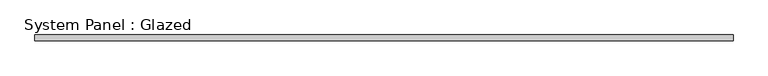
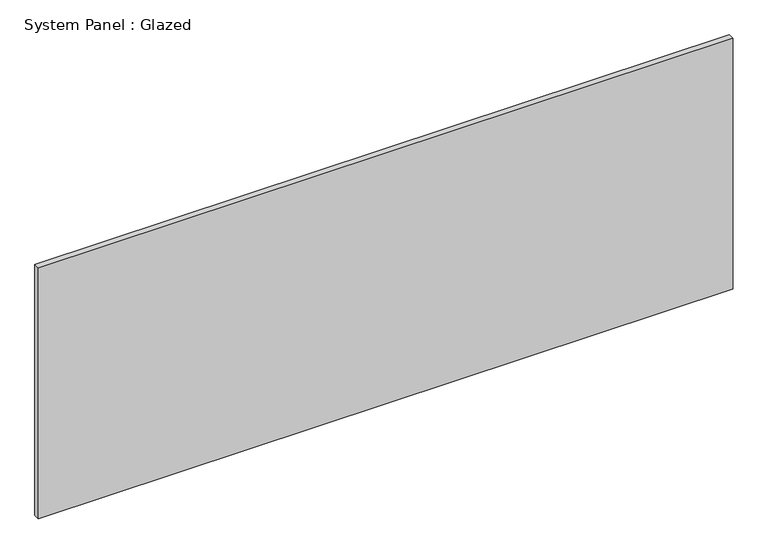
"""IFC4 building model written with IfcOpenShell, lengths in millimetres: plate geometry, System Panel : Glazed."""

from ifc_helpers import new_model, si_unit, origin, origin_with_axes, place, context, project, spatial, polyline, outline, extrude, source, transform, mapped, element, save


def system_panel_glazed_cda587ec(model_context):
    return source(origin(), model_context, "Body", "SweptSolid", [
        extrude(outline(polyline([(1472.9465529, -44.45), (-1472.9465529, -44.45), (-1472.9465529, -19.05), (1472.9465529, -19.05), (1472.9465529, -44.45)])), origin_with_axes(), (0.0, 0.0, 1.0), 1123.95),
    ])


if __name__ == "__main__":
    model = new_model("IFC4")
    model_context = context("Model", 3, world=origin())
    ifc_project = project(units=[si_unit("LENGTHUNIT", "METRE", prefix="MILLI")], contexts=[model_context])
    site = spatial("IfcSite", under=ifc_project)
    building = spatial("IfcBuilding", under=site)
    placement = place(None, origin())
    system_panel_glazed_shape = system_panel_glazed_cda587ec(model_context)
    element("IfcPlate", 1, ObjectType="System Panel : Glazed", at=placement, inside=building, context=model_context, shape_type="MappedRepresentation", body=[
        mapped(system_panel_glazed_shape, transform((0.0, 0.0, 0.0), x_axis=(1.0, 0.0, 0.0), y_axis=(0.0, 1.0, 0.0), z_axis=(0.0, 0.0, 1.0))),
    ])
    save(model, "model.ifc")
